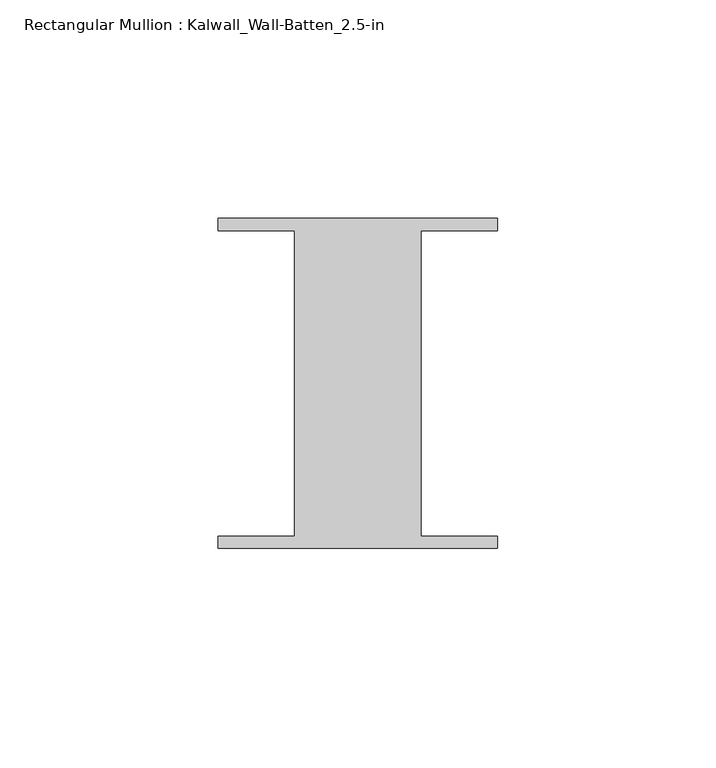
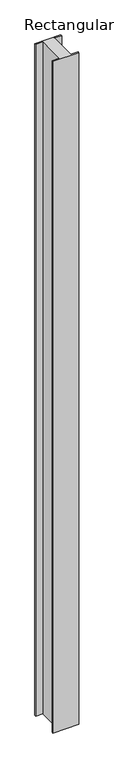
"""IFC4 building model written with IfcOpenShell, lengths in millimetres: member geometry, Rectangular Mullion : Kalwall_Wall-Batten_2.5-in."""

from ifc_helpers import new_model, si_unit, frame, origin, place, context, project, spatial, polyline, outline, extrude, source, transform, mapped, element, save


def rectangular_mullion_kalwall_wall_batten_2_5_in_77a458ba(model_context):
    return source(origin(), model_context, "Body", "SweptSolid", [
        extrude(outline(polyline([(-32.0, 36.524), (32.0, 36.524), (32.0, 33.73), (14.5, 33.73), (14.5, -36.27), (32.0, -36.27), (32.0, -39.064), (-32.0, -39.064), (-32.0, -36.27), (-14.5, -36.27), (-14.5, 33.73), (-32.0, 33.73), (-32.0, 36.524)])), frame((0.0, 0.0, -1744.625), z_axis=(0.0, 0.0, 1.0), x_axis=(1.0, 0.0, 0.0)), (0.0, 0.0, 1.0), 1744.625),
    ])


if __name__ == "__main__":
    model = new_model("IFC4")
    model_context = context("Model", 3, world=origin())
    ifc_project = project(units=[si_unit("LENGTHUNIT", "METRE", prefix="MILLI")], contexts=[model_context])
    site = spatial("IfcSite", under=ifc_project)
    building = spatial("IfcBuilding", under=site)
    placement = place(None, origin())
    rectangular_mullion_kalwall_wall_batten_2_5_in_shape = rectangular_mullion_kalwall_wall_batten_2_5_in_77a458ba(model_context)
    element("IfcMember", 1, ObjectType="Rectangular Mullion : Kalwall_Wall-Batten_2.5-in", at=placement, inside=building, context=model_context, shape_type="MappedRepresentation", body=[
        mapped(rectangular_mullion_kalwall_wall_batten_2_5_in_shape, transform((0.0, 0.0, 0.0), x_axis=(1.0, 0.0, 0.0), y_axis=(0.0, 1.0, 0.0), z_axis=(0.0, 0.0, 1.0))),
    ])
    save(model, "model.ifc")
